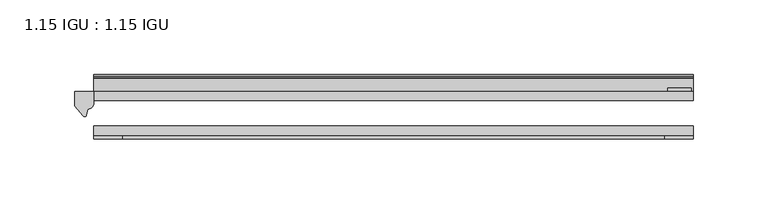
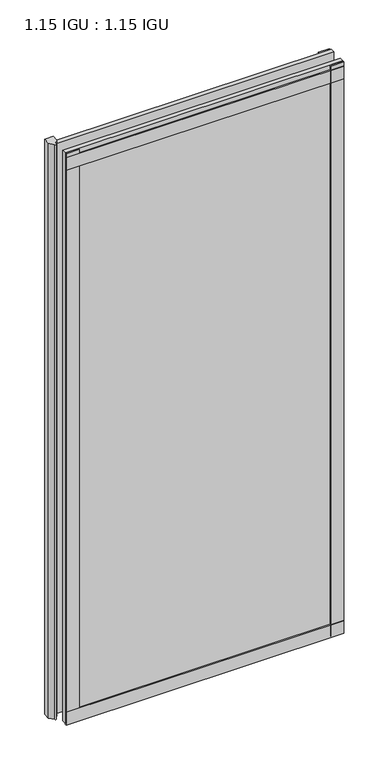
"""IFC4 building model written with IfcOpenShell, lengths in millimetres: plate geometry, 1.15 IGU : 1.15 IGU."""

from ifc_helpers import new_model, si_unit, point, frame, frame_2d, origin, place, context, project, spatial, polyline, circle_curve, trimmed, segment, composite_curve, outline, extrude, source, transform, mapped, element, save


def plate_1_15_igu_1_15_igu_219ac307(model_context):
    return source(origin(), model_context, "Body", "SweptSolid", [
        extrude(outline(polyline([(200.025, 0.0), (200.025, -6.2992), (-200.025, -6.2992), (-200.025, 0.0), (200.025, 0.0)])), frame((0.0, 0.0, -17.4498), z_axis=(0.0, 0.0, 1.0), x_axis=(1.0, 0.0, 0.0)), (0.0, 0.0, 1.0), 868.3366072),
        extrude(outline(polyline([(-200.025, -23.1648), (200.025, -23.1648), (200.025, -29.464), (-200.025, -29.464), (-200.025, -23.1648)])), frame((0.0, 0.0, -17.4498), z_axis=(0.0, 0.0, 1.0), x_axis=(1.0, 0.0, 0.0)), (0.0, 0.0, 1.0), 868.3366072),
        extrude(outline(composite_curve([segment(polyline([(-200.025, 8.8e-06), (-200.025, -7.7683362)]), True, "CONTINUOUS"), segment(trimmed(circle_curve(frame_2d((-203.9964979, -7.7683362)), 3.9714979), [point((-200.025, -7.7683362))], [point((-204.1239498, -11.7377885))], False, "CARTESIAN"), True, "CONTINUOUS"), segment(polyline([(-204.1239498, -11.7377885), (-205.1039843, -16.012436)]), True, "CONTINUOUS"), segment(trimmed(circle_curve(frame_2d((-206.2051933, -15.7723555)), 1.1270758), [point((-205.1039843, -16.012436))], [point((-207.1590327, -16.372764))], False, "CARTESIAN"), True, "CONTINUOUS"), segment(polyline([(-207.1590327, -16.372764), (-212.725, -9.7395025), (-212.725, 8.8e-06), (-200.025, 8.8e-06)]), True, "CONTINUOUS")], self_intersect=False)), frame((0.0, 0.0, -17.4498), z_axis=(0.0, 0.0, 1.0), x_axis=(1.0, 0.0, 0.0)), (0.0, 0.0, 1.0), 875.4740072),
        extrude(outline(polyline([(-200.025, -31.75), (-200.025, -29.464), (200.025, -29.464), (200.025, -31.75), (-200.025, -31.75)])), frame((0.0, 0.0, -19.05), z_axis=(0.0, 0.0, 1.0), x_axis=(1.0, 0.0, 0.0)), (0.0, 0.0, 1.0), 19.05),
        extrude(outline(composite_curve([segment(trimmed(circle_curve(frame_2d((13.6593785, 32.4202472)), 31.3046461), [point((0.0, 4.2528503))], [point((9.3980339, 1.406995))], True, "CARTESIAN"), True, "CONTINUOUS"), segment(polyline([(9.3980339, 1.406995), (9.3980339, 0.0254), (6.35, 0.0254), (6.35, -5.1625788), (7.7309478, -5.3970663), (6.35, -8.0073788), (6.35, -11.8471127)]), True, "CONTINUOUS"), segment(trimmed(circle_curve(frame_2d((5.334, -11.8471127)), 1.016), [point((6.35, -11.8471127))], [point((4.6284878, -12.5782136))], False, "CARTESIAN"), True, "CONTINUOUS"), segment(trimmed(circle_curve(frame_2d((-23.3689302, -41.5910901)), 40.3187601), [point((4.6284878, -12.5782136))], [point((0.0, -8.735413))], True, "CARTESIAN"), True, "CONTINUOUS"), segment(polyline([(0.0, -8.735413), (0.0, 4.2528503)]), True, "CONTINUOUS")], self_intersect=False)), frame((-200.025, 0.0, 0.0), z_axis=(1.0, 0.0, 0.0), x_axis=(0.0, 1.0, 0.0)), (0.0, 0.0, 1.0), 400.05),
        extrude(outline(composite_curve([segment(polyline([(8.509, 840.7300284), (8.509, 838.6980284), (6.35, 838.6980284), (6.35, 833.3640284), (8.9492698, 833.3640284)]), True, "CONTINUOUS"), segment(trimmed(circle_curve(frame_2d((8.208689, 831.8368072)), 1.697311), [point((8.9492698, 833.3640284))], [point((8.962411, 830.3160284))], False, "CARTESIAN"), True, "CONTINUOUS"), segment(polyline([(8.962411, 830.3160284), (6.35, 830.3160284), (6.35, 825.4868072), (11.1252, 825.4868072), (11.1252, 824.5978072)]), True, "CONTINUOUS"), segment(trimmed(circle_curve(frame_2d((10.1092, 824.5978072)), 1.016), [point((11.1252, 824.5978072))], [point((10.1092, 823.5818072))], False, "CARTESIAN"), True, "CONTINUOUS"), segment(trimmed(circle_curve(frame_2d((10.1092, 804.1707318)), 19.4110754), [point((10.1092, 823.5818072))], [point((0.0, 820.7416075))], True, "CARTESIAN"), True, "CONTINUOUS"), segment(polyline([(0.0, 820.7416075), (0.0, 840.7300284), (8.509, 840.7300284)]), True, "CONTINUOUS")], self_intersect=False)), frame((-200.025, 0.0, 0.0), z_axis=(1.0, 0.0, 0.0), x_axis=(0.0, 1.0, 0.0)), (0.0, 0.0, 1.0), 400.05),
        extrude(outline(polyline([(-200.025, -31.75), (-200.025, -29.464), (200.025, -29.464), (200.025, -31.75), (-200.025, -31.75)])), frame((0.0, 0.0, 825.4868072), z_axis=(0.0, 0.0, 1.0), x_axis=(1.0, 0.0, 0.0)), (0.0, 0.0, 1.0), 19.05),
        extrude(outline(polyline([(180.975, -29.464), (200.025, -29.464), (200.025, -31.75), (180.975, -31.75), (180.975, -29.464)])), frame((0.0, 0.0, -17.4498), z_axis=(0.0, 0.0, 1.0), x_axis=(1.0, 0.0, 0.0)), (0.0, 0.0, 1.0), 868.3366072),
        extrude(outline(polyline([(198.8185, 2.2860088), (198.8185, 0.0021347), (182.9435, 0.0021347), (182.9435, 2.2860088), (198.8185, 2.2860088)])), frame((0.0, 0.0, -17.4498), z_axis=(0.0, 0.0, 1.0), x_axis=(1.0, 0.0, 0.0)), (0.0, 0.0, 1.0), 868.3366072),
        extrude(outline(polyline([(-200.025, -31.75), (-200.025, -29.464), (-180.975, -29.464), (-180.975, -31.75), (-200.025, -31.75)])), frame((0.0, 0.0, -17.4498), z_axis=(0.0, 0.0, 1.0), x_axis=(1.0, 0.0, 0.0)), (0.0, 0.0, 1.0), 868.3366072),
    ])


if __name__ == "__main__":
    model = new_model("IFC4")
    model_context = context("Model", 3, world=origin())
    ifc_project = project(units=[si_unit("LENGTHUNIT", "METRE", prefix="MILLI")], contexts=[model_context])
    site = spatial("IfcSite", under=ifc_project)
    building = spatial("IfcBuilding", under=site)
    placement = place(None, origin())
    plate_1_15_igu_1_15_igu_shape = plate_1_15_igu_1_15_igu_219ac307(model_context)
    element("IfcPlate", 1, ObjectType="1.15 IGU : 1.15 IGU", at=placement, inside=building, context=model_context, shape_type="MappedRepresentation", body=[
        mapped(plate_1_15_igu_1_15_igu_shape, transform((0.0, 0.0, 0.0), x_axis=(1.0, 0.0, 0.0), y_axis=(0.0, 1.0, 0.0), z_axis=(0.0, 0.0, 1.0))),
    ])
    save(model, "model.ifc")
